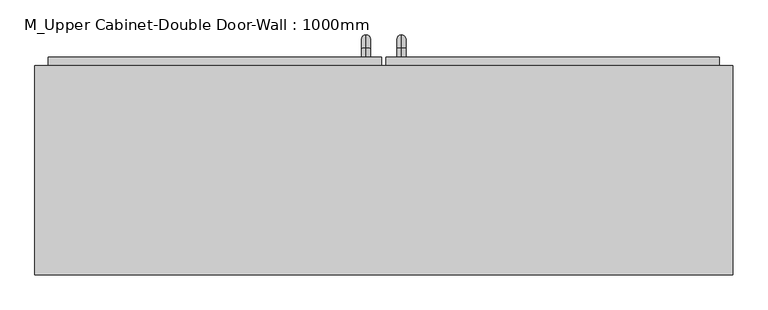
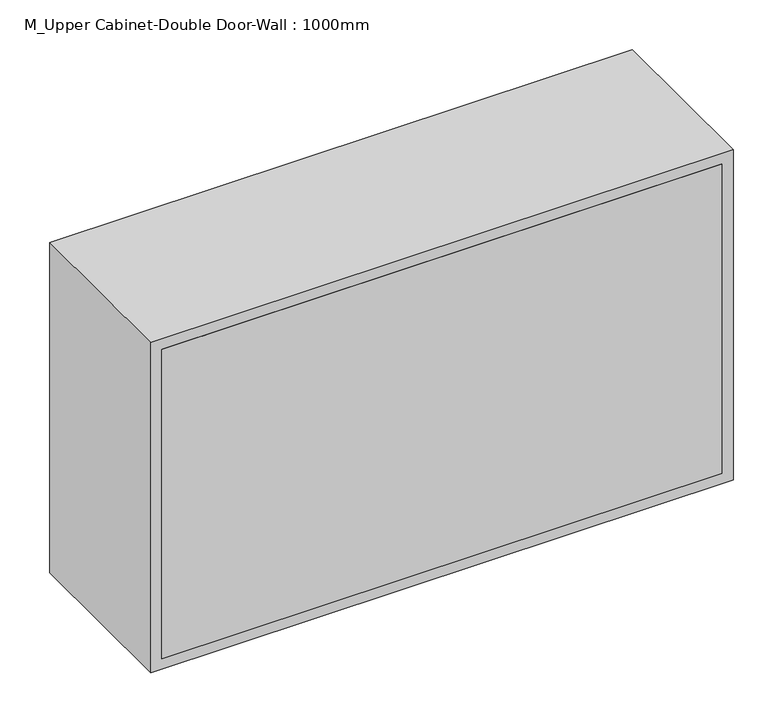
"""IFC4 building model written with IfcOpenShell, lengths in millimetres: furniture geometry, M_Upper Cabinet-Double Door-Wall : 1000mm."""

from ifc_helpers import new_model, si_unit, point, frame, origin, place, context, project, spatial, polyline, circle_curve, ellipse_curve, trimmed, outline, extrude, source, transform, mapped, element, save
from ifc_brep_helpers import plane_surface, cylinder_surface, revolved_surface, advanced_brep


def m_upper_cabinet_double_door_wall_1000mm_f9913229(model_context):
    return source(origin(), model_context, "Body", "SolidModel", [
        advanced_brep(
        [(55.1711628, 412.7, 1546.05), (55.1711628, 412.7, 1558.75), (55.1711628, 425.4, 1546.05), (55.1711628, 425.4, 1558.75), (55.1711628, 444.45, 1539.7), (55.1711628, 431.75, 1539.7), (55.1711628, 431.75, 1463.5), (55.1711628, 444.45, 1463.5), (55.1711628, 425.4, 1444.45), (55.1711628, 425.4, 1457.15), (55.1711628, 412.7, 1457.15), (55.1711628, 412.7, 1444.45)],
        [
            (0, 1, circle_curve(frame((55.1711628, 412.7, 1552.4), z_axis=(0.0, -1.0, 0.0), x_axis=(0.0, 0.0, -1.0)), 6.35)),
            (1, 0, circle_curve(frame((55.1711628, 412.7, 1552.4), z_axis=(0.0, -1.0, 0.0), x_axis=(0.0, 0.0, -1.0)), 6.35)),
            (0, 2),
            (2, 3, circle_curve(frame((55.1711628, 425.4, 1552.4), z_axis=(0.0, -1.0, 0.0), x_axis=(0.0, 0.0, -1.0)), 6.35)),
            (3, 1),
            (3, 2, circle_curve(frame((55.1711628, 425.4, 1552.4), z_axis=(0.0, -1.0, 0.0), x_axis=(0.0, 0.0, -1.0)), 6.35)),
            (4, 3, circle_curve(frame((55.1711628, 425.4, 1539.7), z_axis=(1.0, 0.0, 0.0), x_axis=(0.0, 0.0, 1.0)), 19.05)),
            (2, 5, circle_curve(frame((55.1711628, 425.4, 1539.7), z_axis=(-1.0, 0.0, 0.0), x_axis=(0.0, 0.0, 1.0)), 6.35)),
            (5, 4, circle_curve(frame((55.1711628, 438.1, 1539.7), z_axis=(0.0, 0.0, 1.0), x_axis=(0.0, -1.0, 0.0)), 6.35)),
            (4, 5, circle_curve(frame((55.1711628, 438.1, 1539.7), z_axis=(0.0, 0.0, 1.0), x_axis=(0.0, -1.0, 0.0)), 6.35)),
            (5, 6),
            (6, 7, circle_curve(frame((55.1711628, 438.1, 1463.5), z_axis=(0.0, 0.0, 1.0), x_axis=(0.0, -1.0, 0.0)), 6.35)),
            (7, 4),
            (7, 6, circle_curve(frame((55.1711628, 438.1, 1463.5), z_axis=(0.0, 0.0, 1.0), x_axis=(0.0, -1.0, 0.0)), 6.35)),
            (8, 7, circle_curve(frame((55.1711628, 425.4, 1463.5), z_axis=(1.0, 0.0, 0.0), x_axis=(0.0, 1.0, 0.0)), 19.05)),
            (6, 9, circle_curve(frame((55.1711628, 425.4, 1463.5), z_axis=(-1.0, 0.0, 0.0), x_axis=(0.0, 1.0, 0.0)), 6.35)),
            (9, 8, circle_curve(frame((55.1711628, 425.4, 1450.8), z_axis=(0.0, 1.0, 0.0), x_axis=(0.0, 0.0, 1.0)), 6.35)),
            (8, 9, circle_curve(frame((55.1711628, 425.4, 1450.8), z_axis=(0.0, 1.0, 0.0), x_axis=(0.0, 0.0, 1.0)), 6.35)),
            (10, 11, circle_curve(frame((55.1711628, 412.7, 1450.8), z_axis=(0.0, -1.0, 0.0), x_axis=(0.0, 0.0, 1.0)), 6.35)),
            (11, 10, circle_curve(frame((55.1711628, 412.7, 1450.8), z_axis=(0.0, -1.0, 0.0), x_axis=(0.0, 0.0, 1.0)), 6.35)),
            (9, 10),
            (11, 8),
        ],
        [
            plane_surface(frame((48.8211628, 412.7, 1552.4), z_axis=(0.0, -1.0, 0.0), x_axis=(0.0, 0.0, 1.0))),
            cylinder_surface(frame((55.1711628, 412.7, 1552.4), z_axis=(0.0, -1.0, 0.0), x_axis=(0.0, 0.0, -1.0)), 6.35),
            revolved_surface(trimmed(ellipse_curve(frame((55.1711628, 425.4, 1552.4), z_axis=(0.0, -1.0, 0.0), x_axis=(0.0, 0.0, -1.0)), 6.35, 6.35), [point((55.1711628, 425.4, 1546.05))], [point((55.1711628, 425.4, 1558.75))], True, "CARTESIAN"), (55.1711628, 425.4, 1539.7), (-1.0, 0.0, 0.0)),
            revolved_surface(trimmed(ellipse_curve(frame((55.1711628, 425.4, 1552.4), z_axis=(0.0, -1.0, 0.0), x_axis=(0.0, 0.0, -1.0)), 6.35, 6.35), [point((55.1711628, 425.4, 1558.75))], [point((55.1711628, 425.4, 1546.05))], True, "CARTESIAN"), (55.1711628, 425.4, 1539.7), (-1.0, 0.0, 0.0)),
            cylinder_surface(frame((55.1711628, 438.1, 1539.7), z_axis=(0.0, 0.0, 1.0), x_axis=(0.0, -1.0, 0.0)), 6.35),
            revolved_surface(trimmed(ellipse_curve(frame((55.1711628, 438.1, 1463.5), z_axis=(0.0, 0.0, 1.0), x_axis=(0.0, -1.0, 0.0)), 6.35, 6.35), [point((55.1711628, 431.75, 1463.5))], [point((55.1711628, 444.45, 1463.5))], True, "CARTESIAN"), (55.1711628, 425.4, 1463.5), (-1.0, 0.0, 0.0)),
            revolved_surface(trimmed(ellipse_curve(frame((55.1711628, 438.1, 1463.5), z_axis=(0.0, 0.0, 1.0), x_axis=(0.0, -1.0, 0.0)), 6.35, 6.35), [point((55.1711628, 444.45, 1463.5))], [point((55.1711628, 431.75, 1463.5))], True, "CARTESIAN"), (55.1711628, 425.4, 1463.5), (-1.0, 0.0, 0.0)),
            plane_surface(frame((48.8211628, 412.7, 1450.8), z_axis=(0.0, -1.0, 0.0), x_axis=(0.0, 0.0, -1.0))),
            cylinder_surface(frame((55.1711628, 425.4, 1450.8), z_axis=(0.0, 1.0, 0.0), x_axis=(0.0, 0.0, 1.0)), 6.35),
        ],
        [
            (0, [[1, 2]]),
            (1, [[-1, 3, 4, 5]]),
            (1, [[-2, -5, 6, -3]]),
            (2, [[7, -4, 8, 9]]),
            (3, [[-8, -6, -7, 10]]),
            (4, [[-9, 11, 12, 13]]),
            (4, [[-10, -13, 14, -11]]),
            (5, [[15, -12, 16, 17]]),
            (6, [[-16, -14, -15, 18]]),
            (7, [[19, 20]]),
            (8, [[-17, 21, -20, 22]]),
            (8, [[-18, -22, -19, -21]]),
        ],
    ),
        advanced_brep(
        [(4.3711628, 412.7, 1546.05), (4.3711628, 412.7, 1558.75), (4.3711628, 425.4, 1546.05), (4.3711628, 425.4, 1558.75), (4.3711628, 444.45, 1539.7), (4.3711628, 431.75, 1539.7), (4.3711628, 431.75, 1463.5), (4.3711628, 444.45, 1463.5), (4.3711628, 425.4, 1444.45), (4.3711628, 425.4, 1457.15), (4.3711628, 412.7, 1457.15), (4.3711628, 412.7, 1444.45)],
        [
            (0, 1, circle_curve(frame((4.3711628, 412.7, 1552.4), z_axis=(0.0, -1.0, 0.0), x_axis=(0.0, 0.0, 1.0)), 6.35)),
            (1, 0, circle_curve(frame((4.3711628, 412.7, 1552.4), z_axis=(0.0, -1.0, 0.0), x_axis=(0.0, 0.0, 1.0)), 6.35)),
            (0, 2),
            (2, 3, circle_curve(frame((4.3711628, 425.4, 1552.4), z_axis=(0.0, -1.0, 0.0), x_axis=(0.0, 0.0, 1.0)), 6.35)),
            (3, 1),
            (3, 2, circle_curve(frame((4.3711628, 425.4, 1552.4), z_axis=(0.0, -1.0, 0.0), x_axis=(0.0, 0.0, 1.0)), 6.35)),
            (4, 3, circle_curve(frame((4.3711628, 425.4, 1539.7), z_axis=(1.0, 0.0, 0.0), x_axis=(0.0, 0.0, 1.0)), 19.05)),
            (2, 5, circle_curve(frame((4.3711628, 425.4, 1539.7), z_axis=(-1.0, 0.0, 0.0), x_axis=(0.0, 0.0, 1.0)), 6.35)),
            (5, 4, circle_curve(frame((4.3711628, 438.1, 1539.7), z_axis=(0.0, 0.0, 1.0), x_axis=(0.0, 1.0, 0.0)), 6.35)),
            (4, 5, circle_curve(frame((4.3711628, 438.1, 1539.7), z_axis=(0.0, 0.0, 1.0), x_axis=(0.0, 1.0, 0.0)), 6.35)),
            (5, 6),
            (6, 7, circle_curve(frame((4.3711628, 438.1, 1463.5), z_axis=(0.0, 0.0, 1.0), x_axis=(0.0, 1.0, 0.0)), 6.35)),
            (7, 4),
            (7, 6, circle_curve(frame((4.3711628, 438.1, 1463.5), z_axis=(0.0, 0.0, 1.0), x_axis=(0.0, 1.0, 0.0)), 6.35)),
            (8, 7, circle_curve(frame((4.3711628, 425.4, 1463.5), z_axis=(1.0, 0.0, 0.0), x_axis=(0.0, 1.0, 0.0)), 19.05)),
            (6, 9, circle_curve(frame((4.3711628, 425.4, 1463.5), z_axis=(-1.0, 0.0, 0.0), x_axis=(0.0, 1.0, 0.0)), 6.35)),
            (9, 8, circle_curve(frame((4.3711628, 425.4, 1450.8), z_axis=(0.0, 1.0, 0.0), x_axis=(0.0, 0.0, -1.0)), 6.35)),
            (8, 9, circle_curve(frame((4.3711628, 425.4, 1450.8), z_axis=(0.0, 1.0, 0.0), x_axis=(0.0, 0.0, -1.0)), 6.35)),
            (10, 11, circle_curve(frame((4.3711628, 412.7, 1450.8), z_axis=(0.0, -1.0, 0.0), x_axis=(0.0, 0.0, -1.0)), 6.35)),
            (11, 10, circle_curve(frame((4.3711628, 412.7, 1450.8), z_axis=(0.0, -1.0, 0.0), x_axis=(0.0, 0.0, -1.0)), 6.35)),
            (9, 10),
            (11, 8),
        ],
        [
            plane_surface(frame((-1.9788372, 412.7, 1552.4), z_axis=(0.0, -1.0, 0.0), x_axis=(0.0, 0.0, 1.0))),
            cylinder_surface(frame((4.3711628, 412.7, 1552.4), z_axis=(0.0, -1.0, 0.0), x_axis=(0.0, 0.0, 1.0)), 6.35),
            revolved_surface(trimmed(ellipse_curve(frame((4.3711628, 425.4, 1552.4), z_axis=(0.0, -1.0, 0.0), x_axis=(0.0, 0.0, 1.0)), 6.35, 6.35), [point((4.3711628, 425.4, 1546.05))], [point((4.3711628, 425.4, 1558.75))], True, "CARTESIAN"), (4.3711628, 425.4, 1539.7), (-1.0, 0.0, 0.0)),
            revolved_surface(trimmed(ellipse_curve(frame((4.3711628, 425.4, 1552.4), z_axis=(0.0, -1.0, 0.0), x_axis=(0.0, 0.0, 1.0)), 6.35, 6.35), [point((4.3711628, 425.4, 1558.75))], [point((4.3711628, 425.4, 1546.05))], True, "CARTESIAN"), (4.3711628, 425.4, 1539.7), (-1.0, 0.0, 0.0)),
            cylinder_surface(frame((4.3711628, 438.1, 1539.7), z_axis=(0.0, 0.0, 1.0), x_axis=(0.0, 1.0, 0.0)), 6.35),
            revolved_surface(trimmed(ellipse_curve(frame((4.3711628, 438.1, 1463.5), z_axis=(0.0, 0.0, 1.0), x_axis=(0.0, 1.0, 0.0)), 6.35, 6.35), [point((4.3711628, 431.75, 1463.5))], [point((4.3711628, 444.45, 1463.5))], True, "CARTESIAN"), (4.3711628, 425.4, 1463.5), (-1.0, 0.0, 0.0)),
            revolved_surface(trimmed(ellipse_curve(frame((4.3711628, 438.1, 1463.5), z_axis=(0.0, 0.0, 1.0), x_axis=(0.0, 1.0, 0.0)), 6.35, 6.35), [point((4.3711628, 444.45, 1463.5))], [point((4.3711628, 431.75, 1463.5))], True, "CARTESIAN"), (4.3711628, 425.4, 1463.5), (-1.0, 0.0, 0.0)),
            plane_surface(frame((-1.9788372, 412.7, 1450.8), z_axis=(0.0, -1.0, 0.0), x_axis=(0.0, 0.0, -1.0))),
            cylinder_surface(frame((4.3711628, 425.4, 1450.8), z_axis=(0.0, 1.0, 0.0), x_axis=(0.0, 0.0, -1.0)), 6.35),
        ],
        [
            (0, [[1, 2]]),
            (1, [[-1, 3, 4, 5]]),
            (1, [[-2, -5, 6, -3]]),
            (2, [[7, -4, 8, 9]]),
            (3, [[-8, -6, -7, 10]]),
            (4, [[-9, 11, 12, 13]]),
            (4, [[-10, -13, 14, -11]]),
            (5, [[15, -12, 16, 17]]),
            (6, [[-16, -14, -15, 18]]),
            (7, [[19, 20]]),
            (8, [[-17, 21, -20, 22]]),
            (8, [[-18, -22, -19, -21]]),
        ],
    ),
        extrude(outline(polyline([(32.9461628, 412.7), (510.7211628, 412.7), (510.7211628, 380.95), (32.9461628, 380.95), (32.9461628, 412.7)])), frame((0.0, 0.0, 1419.05), z_axis=(0.0, 0.0, 1.0), x_axis=(1.0, 0.0, 0.0)), (0.0, 0.0, 1.0), 561.9),
        extrude(outline(polyline([(-451.1788372, 412.7), (26.5961628, 412.7), (26.5961628, 380.95), (-451.1788372, 380.95), (-451.1788372, 412.7)])), frame((0.0, 0.0, 1419.05), z_axis=(0.0, 0.0, 1.0), x_axis=(1.0, 0.0, 0.0)), (0.0, 0.0, 1.0), 561.9),
        extrude(outline(polyline([(510.7211628, 100.0), (-451.1788372, 100.0), (-451.1788372, 119.05), (510.7211628, 119.05), (510.7211628, 100.0)])), frame((0.0, 0.0, 1419.05), z_axis=(0.0, 0.0, 1.0), x_axis=(1.0, 0.0, 0.0)), (0.0, 0.0, 1.0), 561.9),
        extrude(outline(polyline([(2000.0, -470.2288372), (1400.0, -470.2288372), (1400.0, 529.7711628), (2000.0, 529.7711628), (2000.0, -470.2288372)]), holes=[polyline([(1980.95, -451.1788372), (1980.95, 510.7211628), (1419.05, 510.7211628), (1419.05, -451.1788372), (1980.95, -451.1788372)])]), frame((0.0, 100.0, 0.0), z_axis=(0.0, 1.0, 0.0), x_axis=(0.0, 0.0, 1.0)), (0.0, 0.0, 1.0), 300.0),
    ])


if __name__ == "__main__":
    model = new_model("IFC4")
    model_context = context("Model", 3, world=origin())
    ifc_project = project(units=[si_unit("LENGTHUNIT", "METRE", prefix="MILLI")], contexts=[model_context])
    site = spatial("IfcSite", under=ifc_project)
    building = spatial("IfcBuilding", under=site)
    placement = place(None, origin())
    m_upper_cabinet_double_door_wall_1000mm_shape = m_upper_cabinet_double_door_wall_1000mm_f9913229(model_context)
    element("IfcFurniture", 1, ObjectType="M_Upper Cabinet-Double Door-Wall : 1000mm", at=placement, inside=building, context=model_context, shape_type="MappedRepresentation", body=[
        mapped(m_upper_cabinet_double_door_wall_1000mm_shape, transform((0.0, 0.0, 0.0), x_axis=(1.0, 0.0, 0.0), y_axis=(0.0, 1.0, 0.0), z_axis=(0.0, 0.0, 1.0))),
    ])
    save(model, "model.ifc")
